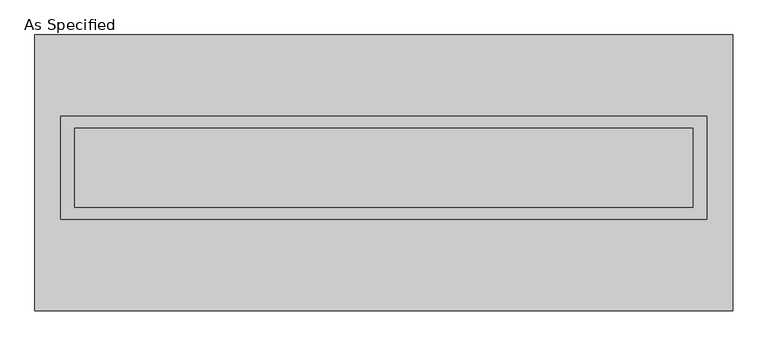
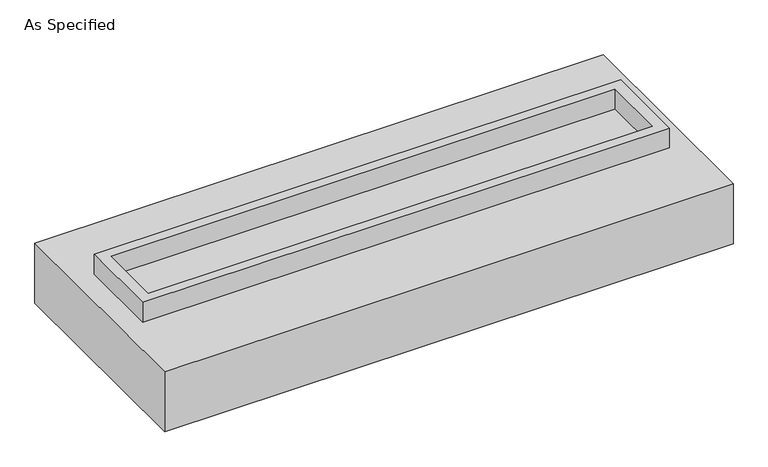
"""IFC4 building model written with IfcOpenShell, lengths in millimetres: proxy geometry, As Specified."""

from ifc_helpers import new_model, si_unit, frame, origin, place, context, project, spatial, polyline, outline, extrude, faceted_brep, source, transform, mapped, element, save


def as_specified_9f334050(model_context):
    return source(origin(), model_context, "Body", "SolidModel", [
        extrude(outline(polyline([(2070.1, 361.95), (2070.1, -298.45), (-2070.1, -298.45), (-2070.1, 361.95), (2070.1, 361.95)]), holes=[polyline([(1981.2, 285.75), (-1981.2, 285.75), (-1981.2, -222.25), (1981.2, -222.25), (1981.2, 285.75)])]), frame((0.0, 0.0, -25.4), z_axis=(0.0, 0.0, 1.0), x_axis=(1.0, 0.0, 0.0)), (0.0, 0.0, 1.0), 165.1),
        extrude(outline(polyline([(1981.2, 285.75), (1981.2, -222.25), (-1981.2, -222.25), (-1981.2, 285.75), (1981.2, 285.75)])), frame((0.0, 0.0, -30.3609375), z_axis=(0.0, 0.0, 1.0), x_axis=(1.0, 0.0, 0.0)), (0.0, 0.0, 1.0), 4.9609375),
        faceted_brep([(2235.2, -882.65, -523.875), (-2235.2, -882.65, -523.875), (-2235.2, 882.65, -523.875), (2235.2, 882.65, -523.875), (2235.2, 882.65, -25.4), (-2235.2, 882.65, -25.4), (-2235.2, -882.65, -25.4), (2235.2, -882.65, -25.4), (2070.1, 361.95, -25.4), (2070.1, -298.45, -25.4), (-2070.1, -298.45, -25.4), (-2070.1, 361.95, -25.4), (2070.1, 361.95, -498.475), (-2070.1, 361.95, -498.475), (-2070.1, -298.45, -498.475), (2070.1, -298.45, -498.475)], [[[0, 1, 2, 3]], [[4, 5, 6, 7], [8, 9, 10, 11]], [[3, 2, 5, 4]], [[2, 1, 6, 5]], [[0, 3, 4, 7]], [[12, 13, 14, 15]], [[14, 13, 11, 10]], [[13, 12, 8, 11]], [[12, 15, 9, 8]], [[10, 9, 15, 14]], [[1, 0, 7, 6]]]),
    ])


if __name__ == "__main__":
    model = new_model("IFC4")
    model_context = context("Model", 3, world=origin())
    ifc_project = project(units=[si_unit("LENGTHUNIT", "METRE", prefix="MILLI")], contexts=[model_context])
    site = spatial("IfcSite", under=ifc_project)
    building = spatial("IfcBuilding", under=site)
    placement = place(None, origin())
    as_specified_shape = as_specified_9f334050(model_context)
    element("IfcBuildingElementProxy", 1, Name="As Specified", ObjectType="As Specified", at=placement, inside=building, context=model_context, shape_type="MappedRepresentation", body=[
        mapped(as_specified_shape, transform((0.0, 0.0, 0.0), x_axis=(1.0, 0.0, 0.0), y_axis=(0.0, 1.0, 0.0), z_axis=(0.0, 0.0, 1.0))),
    ])
    save(model, "model.ifc")
